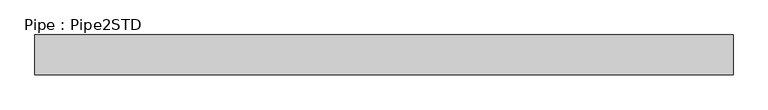
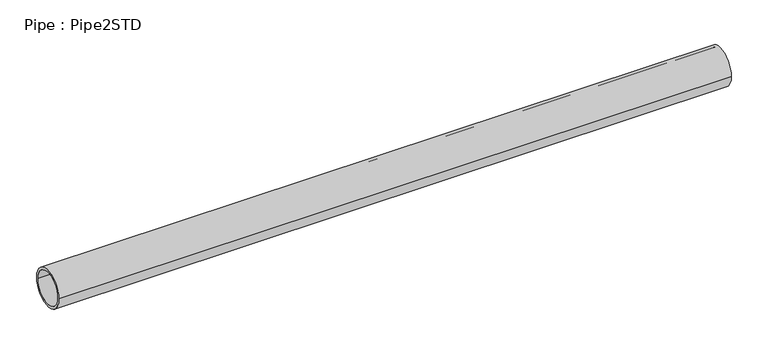
"""IFC4 building model written with IfcOpenShell, lengths in millimetres: member geometry, Pipe : Pipe2STD."""

from ifc_helpers import new_model, si_unit, point, frame, origin, origin_2d, place, context, project, spatial, circle_curve, trimmed, segment, composite_curve, outline, extrude, source, transform, mapped, element, save


def pipe_pipe2std_9b0332bf(model_context):
    return source(origin(), model_context, "Body", "SweptSolid", [
        extrude(outline(composite_curve([segment(trimmed(circle_curve(origin_2d(), 30.1625), [point((-30.1625, 0.0))], [point((30.1625, 0.0))], False, "CARTESIAN"), True, "CONTINUOUS"), segment(trimmed(circle_curve(origin_2d(), 30.1625), [point((30.1625, 0.0))], [point((-30.1625, 0.0))], False, "CARTESIAN"), True, "CONTINUOUS")], self_intersect=False), holes=[composite_curve([segment(trimmed(circle_curve(origin_2d(), 26.2509), [point((26.2509, 0.0))], [point((-26.2509, 0.0))], True, "CARTESIAN"), True, "CONTINUOUS"), segment(trimmed(circle_curve(origin_2d(), 26.2509), [point((-26.2509, 0.0))], [point((26.2509, 0.0))], True, "CARTESIAN"), True, "CONTINUOUS")], self_intersect=False)]), frame((-504.1796146, 0.0, 0.0), z_axis=(1.0, 0.0, 0.0), x_axis=(0.0, 1.0, 0.0)), (0.0, 0.0, 1.0), 1058.9256234),
    ])


if __name__ == "__main__":
    model = new_model("IFC4")
    model_context = context("Model", 3, world=origin())
    ifc_project = project(units=[si_unit("LENGTHUNIT", "METRE", prefix="MILLI")], contexts=[model_context])
    site = spatial("IfcSite", under=ifc_project)
    building = spatial("IfcBuilding", under=site)
    placement = place(None, origin())
    pipe_pipe2std_shape = pipe_pipe2std_9b0332bf(model_context)
    element("IfcMember", 1, ObjectType="Pipe : Pipe2STD", at=placement, inside=building, context=model_context, shape_type="MappedRepresentation", body=[
        mapped(pipe_pipe2std_shape, transform((0.0, 0.0, 0.0), x_axis=(1.0, 0.0, 0.0), y_axis=(0.0, 1.0, 0.0), z_axis=(0.0, 0.0, 1.0))),
    ])
    save(model, "model.ifc")
